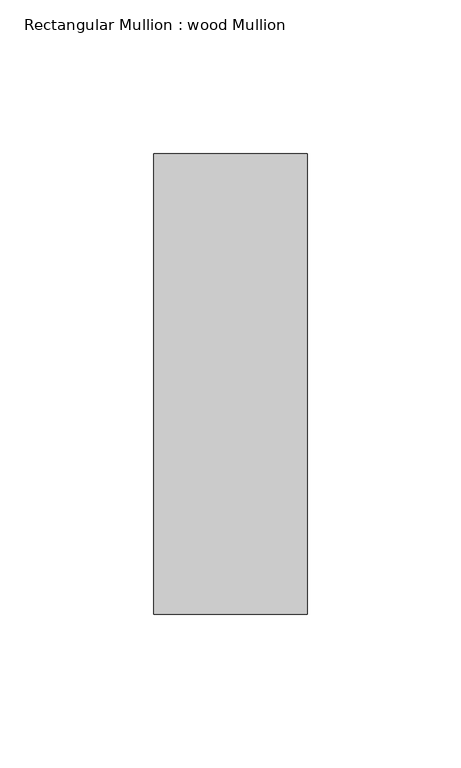
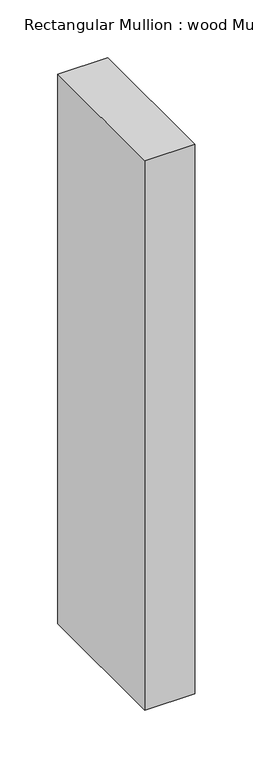
"""IFC4 building model written with IfcOpenShell, lengths in millimetres: member geometry, Rectangular Mullion : wood Mullion."""

from ifc_helpers import new_model, si_unit, frame, origin, place, context, project, spatial, polyline, outline, extrude, source, transform, mapped, element, save


def rectangular_mullion_wood_mullion_7ee202ef(model_context):
    return source(origin(), model_context, "Body", "SweptSolid", [
        extrude(outline(polyline([(0.0, 75.0), (0.0, -75.0), (-50.0, -75.0), (-50.0, 75.0), (0.0, 75.0)])), frame((0.0, 0.0, -580.0), z_axis=(0.0, 0.0, 1.0), x_axis=(1.0, 0.0, 0.0)), (0.0, 0.0, 1.0), 580.0),
    ])


if __name__ == "__main__":
    model = new_model("IFC4")
    model_context = context("Model", 3, world=origin())
    ifc_project = project(units=[si_unit("LENGTHUNIT", "METRE", prefix="MILLI")], contexts=[model_context])
    site = spatial("IfcSite", under=ifc_project)
    building = spatial("IfcBuilding", under=site)
    placement = place(None, origin())
    rectangular_mullion_wood_mullion_shape = rectangular_mullion_wood_mullion_7ee202ef(model_context)
    element("IfcMember", 1, ObjectType="Rectangular Mullion : wood Mullion", at=placement, inside=building, context=model_context, shape_type="MappedRepresentation", body=[
        mapped(rectangular_mullion_wood_mullion_shape, transform((0.0, 0.0, 0.0), x_axis=(1.0, 0.0, 0.0), y_axis=(0.0, 1.0, 0.0), z_axis=(0.0, 0.0, 1.0))),
    ])
    save(model, "model.ifc")
